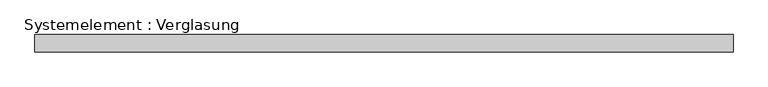
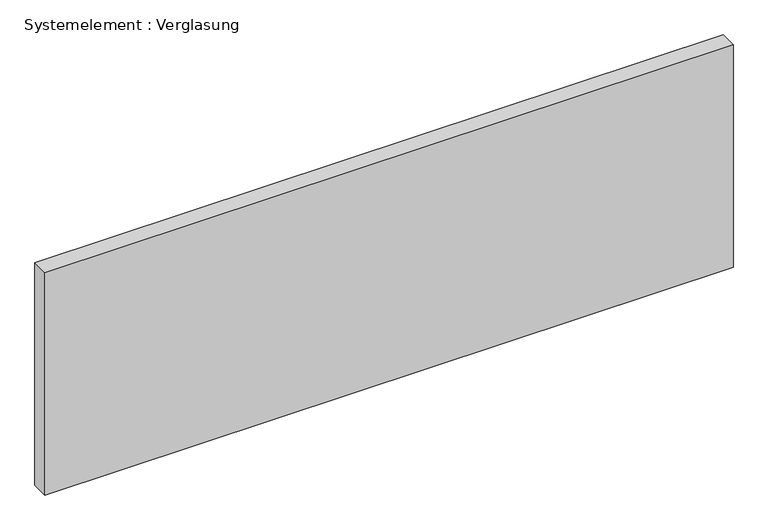
"""IFC4 building model written with IfcOpenShell, lengths in millimetres: plate geometry, Systemelement : Verglasung."""

from ifc_helpers import new_model, si_unit, origin, origin_with_axes, place, context, project, spatial, polyline, outline, extrude, source, transform, mapped, element, save


def systemelement_verglasung_12eb7eeb(model_context):
    return source(origin(), model_context, "Body", "SweptSolid", [
        extrude(outline(polyline([(600.3125, -15.0), (-600.3125, -15.0), (-600.3125, 15.0), (600.3125, 15.0), (600.3125, -15.0)])), origin_with_axes(), (0.0, 0.0, 1.0), 410.0),
    ])


if __name__ == "__main__":
    model = new_model("IFC4")
    model_context = context("Model", 3, world=origin())
    ifc_project = project(units=[si_unit("LENGTHUNIT", "METRE", prefix="MILLI")], contexts=[model_context])
    site = spatial("IfcSite", under=ifc_project)
    building = spatial("IfcBuilding", under=site)
    placement = place(None, origin())
    systemelement_verglasung_shape = systemelement_verglasung_12eb7eeb(model_context)
    element("IfcPlate", 1, ObjectType="Systemelement : Verglasung", at=placement, inside=building, context=model_context, shape_type="MappedRepresentation", body=[
        mapped(systemelement_verglasung_shape, transform((0.0, 0.0, 0.0), x_axis=(1.0, 0.0, 0.0), y_axis=(0.0, 1.0, 0.0), z_axis=(0.0, 0.0, 1.0))),
    ])
    save(model, "model.ifc")
